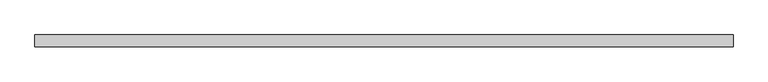
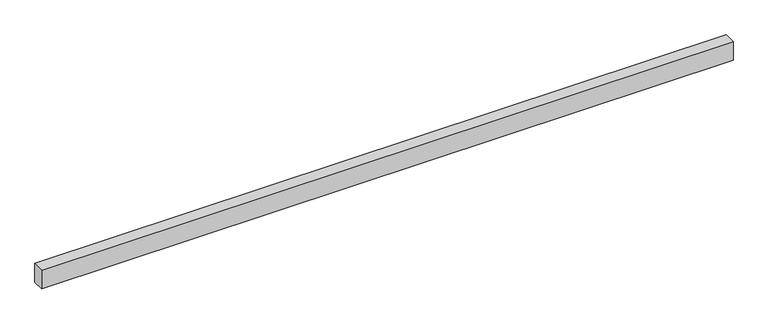
"""IFC4 building model written with IfcOpenShell, lengths in millimetres: beam geometry."""

import ifcopenshell
import ifcopenshell.guid

model = None  # the IFC model being written
_history = None  # IfcOwnerHistory: only IFC2X3 demands one
_inside = {}  # id of a spatial element -> (the spatial element, [elements in it])
_under = {}  # id of a project, library or spatial element -> (it, [spatial elements below it])
_declared = {}  # id of a project -> (the project, [libraries it declares])
_typed = {}  # id of a type object -> (the type object, [elements of that type])
_made_of = {}  # id of a material, layer set ... -> (it, [elements and type objects made of it])


def new_model(schema):
    """Start an empty IFC model of exactly this schema.

    Asked for "IFC4X3", IfcOpenShell would pick the latest addendum, in which some entities
    have other attributes; the version numbers below select the first issue.
    IFC2X3 requires an IfcOwnerHistory on every rooted entity: one is made here for all.
    """
    global model, _history
    if schema == "IFC4X3":
        model = ifcopenshell.file(schema_version=(4, 3, 0, 0))
    else:
        model = ifcopenshell.file(schema=schema)
    _inside.clear()
    _under.clear()
    _declared.clear()
    _typed.clear()
    _made_of.clear()
    _history = None
    if model.schema == "IFC2X3":
        org = make("IfcOrganization", Name="unknown")
        user = make(
            "IfcPersonAndOrganization",
            ThePerson=make("IfcPerson", FamilyName="unknown"),
            TheOrganization=org,
        )
        app = make(
            "IfcApplication",
            ApplicationDeveloper=org,
            Version="unknown",
            ApplicationFullName="unknown",
            ApplicationIdentifier="unknown",
        )
        _history = make(
            "IfcOwnerHistory",
            OwningUser=user,
            OwningApplication=app,
            ChangeAction="ADDED",
            CreationDate=0,
        )
    return model


def make(cls, **values):
    """One entity of the class cls with the attributes given. An attribute that is None is left unset."""
    return model.create_entity(
        cls, **{name: value for name, value in values.items() if value is not None}
    )


def rooted(cls, **values):
    """An entity with a GlobalId (a new one), such as an element, a storey or a relation."""
    return make(cls, GlobalId=ifcopenshell.guid.new(), OwnerHistory=_history, **values)


def si_unit(unit_type, name, prefix=None):
    """IfcSIUnit, for example si_unit("LENGTHUNIT", "METRE", prefix="MILLI")."""
    return make("IfcSIUnit", UnitType=unit_type, Prefix=prefix, Name=name)


def assignment(units):
    """IfcUnitAssignment: the units of a project."""
    return None if units is None else make("IfcUnitAssignment", Units=units)


def point(xyz):
    """IfcCartesianPoint."""
    return None if xyz is None else make("IfcCartesianPoint", Coordinates=xyz)


def direction(xyz):
    """IfcDirection."""
    return None if xyz is None else make("IfcDirection", DirectionRatios=xyz)


def frame(location, z_axis=None, x_axis=None):
    """IfcAxis2Placement3D, a coordinate frame: its origin and axes. An axis left out is left unset."""
    return make(
        "IfcAxis2Placement3D",
        Location=point(location),
        Axis=direction(z_axis),
        RefDirection=direction(x_axis),
    )


def origin():
    """The frame at (0, 0, 0) with its axes left unset."""
    return frame((0.0, 0.0, 0.0))


def place(relative_to, where):
    """IfcLocalPlacement: puts the frame where relative to a parent placement (None: the world)."""
    return make(
        "IfcLocalPlacement", PlacementRelTo=relative_to, RelativePlacement=where
    )


def context(
    kind, dimensions, precision=None, world=None, true_north=None, identifier=None
):
    """IfcGeometricRepresentationContext, for example the 3D "Model" context."""
    return make(
        "IfcGeometricRepresentationContext",
        ContextIdentifier=identifier,
        ContextType=kind,
        CoordinateSpaceDimension=dimensions,
        Precision=precision,
        WorldCoordinateSystem=world,
        TrueNorth=true_north,
    )


def project(units=None, contexts=None):
    """IfcProject with its units and contexts."""
    return rooted(
        "IfcProject",
        Name="project",
        RepresentationContexts=contexts,
        UnitsInContext=assignment(units),
    )


def spatial(cls, under=None, at=None, **own):
    """A site, building, storey or space (cls), placed at a placement, below another one or the project."""
    s = rooted(cls, ObjectPlacement=at, **own)
    if under is not None:
        _under.setdefault(under.id(), (under, []))[1].append(s)
    return s


def polyline(points):
    """IfcPolyline through the points."""
    return make("IfcPolyline", Points=[point(p) for p in points])


def outline(outer, holes=None, kind="AREA"):
    """IfcArbitraryClosedProfileDef: a profile drawn as a closed curve; with holes, ...WithVoids."""
    if holes is None:
        return make("IfcArbitraryClosedProfileDef", ProfileType=kind, OuterCurve=outer)
    return make(
        "IfcArbitraryProfileDefWithVoids",
        ProfileType=kind,
        OuterCurve=outer,
        InnerCurves=holes,
    )


def extrude(swept, where, along, depth):
    """IfcExtrudedAreaSolid: the profile swept, set in the frame where, extruded along a direction by depth."""
    return make(
        "IfcExtrudedAreaSolid",
        SweptArea=swept,
        Position=where,
        ExtrudedDirection=direction(along),
        Depth=depth,
    )


def shape(context_of_items, identifier, shape_type, items):
    """IfcShapeRepresentation: the items that make up one representation, for example the "Body"."""
    return make(
        "IfcShapeRepresentation",
        ContextOfItems=context_of_items,
        RepresentationIdentifier=identifier,
        RepresentationType=shape_type,
        Items=items,
    )


def source(mapping_origin, context_of_items, identifier, shape_type, items):
    """IfcRepresentationMap: a shape defined once, which mapped items show again and again."""
    return make(
        "IfcRepresentationMap",
        MappingOrigin=mapping_origin,
        MappedRepresentation=shape(context_of_items, identifier, shape_type, items),
    )


def transform(
    local_origin,
    x_axis=None,
    y_axis=None,
    z_axis=None,
    scale=None,
    scale2=None,
    scale3=None,
    uniform=True,
):
    """IfcCartesianTransformationOperator3D, or its non-uniform kind. x_axis, y_axis, z_axis: its Axis1, 2, 3."""
    if uniform:
        return make(
            "IfcCartesianTransformationOperator3D",
            Axis1=direction(x_axis),
            Axis2=direction(y_axis),
            LocalOrigin=point(local_origin),
            Scale=scale,
            Axis3=direction(z_axis),
        )
    return make(
        "IfcCartesianTransformationOperator3DnonUniform",
        Axis1=direction(x_axis),
        Axis2=direction(y_axis),
        LocalOrigin=point(local_origin),
        Scale=scale,
        Axis3=direction(z_axis),
        Scale2=scale2,
        Scale3=scale3,
    )


def mapped(mapping_source, mapping_target):
    """IfcMappedItem: shows the shape of a source again, moved by a transform."""
    return make(
        "IfcMappedItem", MappingSource=mapping_source, MappingTarget=mapping_target
    )


def made_of(thing, what):
    """Note that an element or type object is made of a material, layer set ...; save() writes the relation."""
    if what is not None:
        _made_of.setdefault(what.id(), (what, []))[1].append(thing)
    return thing


def element(
    cls,
    number,
    at=None,
    inside=None,
    cuts=None,
    type_object=None,
    material=None,
    context=None,
    identifier="Body",
    shape_type=None,
    held_by="IfcProductDefinitionShape",
    body=None,
    shapes=None,
    **own,
):
    """One element of the class cls, such as IfcWall. Its Tag is "e" and its number.

    at: its placement. inside: the storey or other place that contains it. cuts: it is an
    opening in that element (IfcRelVoidsElement). A single representation is given by context,
    identifier, shape_type and body (its items); several are given by shapes. held_by: the class
    of the entity that holds the representations. save() writes the other relations.
    """
    e = rooted(cls, Tag="e%d" % number, ObjectPlacement=at, **own)
    if body is not None:
        shapes = [shape(context, identifier, shape_type, body)]
    if shapes is not None:
        e.Representation = make(held_by, Representations=shapes)
    if inside is not None:
        _inside.setdefault(inside.id(), (inside, []))[1].append(e)
    if cuts is not None:
        rooted(
            "IfcRelVoidsElement", RelatingBuildingElement=cuts, RelatedOpeningElement=e
        )
    if type_object is not None:
        _typed.setdefault(type_object.id(), (type_object, []))[1].append(e)
    return made_of(e, material)


def aggregate(whole, parts):
    """IfcRelAggregates: a whole, such as a stair, and the parts it consists of."""
    return rooted("IfcRelAggregates", RelatingObject=whole, RelatedObjects=parts)


def save(model, path):
    """Write the relations noted so far, then the file.

    IfcRelAggregates (storeys below a building ...), IfcRelContainedInSpatialStructure (elements
    in a storey), IfcRelDefinesByType, IfcRelAssociatesMaterial and IfcRelDeclares: one each for
    every whole, place, type object, material and project.
    """
    for whole, parts in _under.values():
        aggregate(whole, parts)
    for where, things in _inside.values():
        rooted(
            "IfcRelContainedInSpatialStructure",
            RelatedElements=things,
            RelatingStructure=where,
        )
    for kind, things in _typed.values():
        rooted("IfcRelDefinesByType", RelatedObjects=things, RelatingType=kind)
    for what, things in _made_of.values():
        rooted("IfcRelAssociatesMaterial", RelatedObjects=things, RelatingMaterial=what)
    for by, libraries in _declared.values():
        rooted("IfcRelDeclares", RelatingContext=by, RelatedDefinitions=libraries)
    model.write(path)


def beam_88d03f42(model_context):
    return source(origin(), model_context, "Body", "SweptSolid", [
        extrude(outline(polyline([(875.0, 15.0), (875.0, -15.0), (-875.0, -15.0), (-875.0, 15.0), (875.0, 15.0)])), frame((0.0, 0.0, -25.0), z_axis=(0.0, 0.0, 1.0), x_axis=(1.0, 0.0, 0.0)), (0.0, 0.0, 1.0), 50.0),
    ])


if __name__ == "__main__":
    model = new_model("IFC4")
    model_context = context("Model", 3, world=origin())
    ifc_project = project(units=[si_unit("LENGTHUNIT", "METRE", prefix="MILLI")], contexts=[model_context])
    site = spatial("IfcSite", under=ifc_project)
    building = spatial("IfcBuilding", under=site)
    placement = place(None, origin())
    beam_shape = beam_88d03f42(model_context)
    element("IfcBeam", 1, at=placement, inside=building, context=model_context, shape_type="MappedRepresentation", body=[
        mapped(beam_shape, transform((0.0, 0.0, 0.0), x_axis=(1.0, 0.0, 0.0), y_axis=(0.0, 1.0, 0.0), z_axis=(0.0, 0.0, 1.0))),
    ])
    save(model, "model.ifc")
